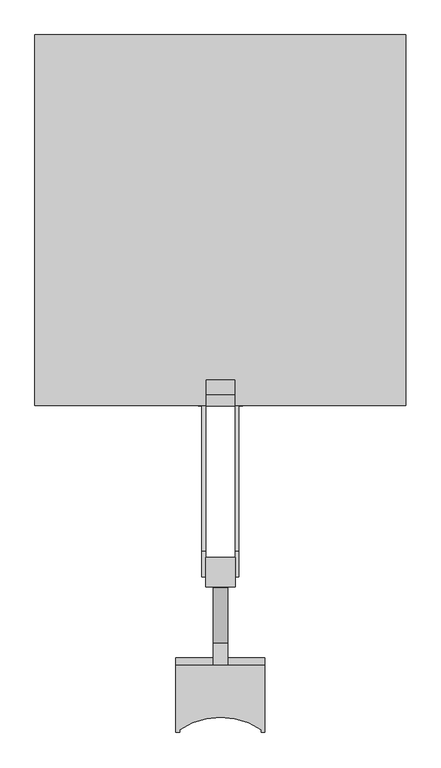
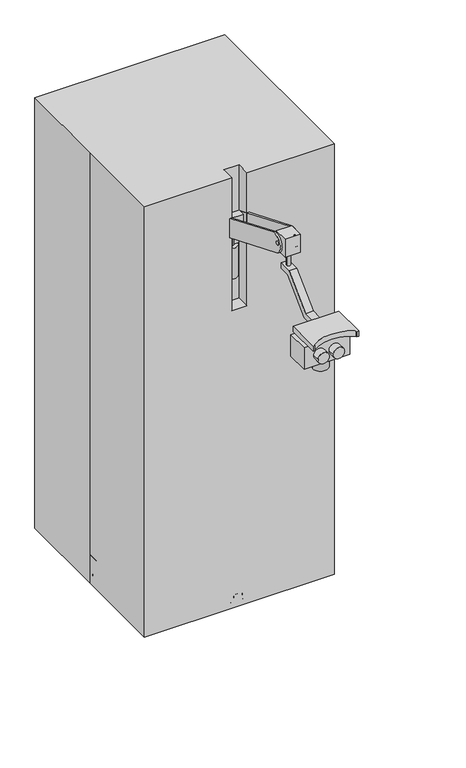
"""IFC4 building model written with IfcOpenShell, lengths in millimetres: proxy geometry."""

from ifc_helpers import new_model, si_unit, point, frame, frame_2d, origin, origin_2d, place, context, project, spatial, polyline, circle_curve, ellipse_curve, trimmed, segment, composite_curve, outline, extrude, faceted_brep, source, transform, mapped, element, save
from ifc_brep_helpers import plane_surface, cylinder_surface, revolved_surface, extruded_surface, advanced_brep


def specialty_equipment_8152f2bc(model_context):
    return source(origin(), model_context, "Body", "SolidModel", [
        advanced_brep(
        [(31.75, -590.6759875, 1426.2297914), (31.75, -309.077506, 1309.5878812), (31.75, -284.777108, 1368.2542315), (31.75, -566.3755895, 1484.8961417), (31.75, -284.6907592, 1326.9793218), (31.75, -279.8306796, 1338.7125919), (31.75, -595.6224159, 1455.771431), (31.75, -590.7623363, 1467.5047011), (-31.75, -590.6759875, 1426.2297914), (-31.75, -566.3755895, 1484.8961417), (-31.75, -284.777108, 1368.2542315), (-31.75, -309.077506, 1309.5878812), (-31.75, -284.6907592, 1326.9793218), (-31.75, -279.8306796, 1338.7125919), (-31.75, -595.6224159, 1455.771431), (-31.75, -590.7623363, 1467.5047011), (25.4, -590.6759875, 1426.2297914), (25.4, -309.077506, 1309.5878812), (-25.4, -309.077506, 1309.5878812), (-25.4, -590.6759875, 1426.2297914), (25.4, -272.6761469, 1318.4285276), (-25.4, -272.6761469, 1318.4285276), (-25.4, -284.777108, 1368.2542315), (-25.4, -272.6761469, 1359.4135851), (25.4, -272.6761469, 1359.4135851), (25.4, -284.777108, 1368.2542315), (25.4, -566.3755895, 1484.8961417), (-25.4, -566.3755895, 1484.8961417), (25.4, -602.5772402, 1476.2895237), (-25.4, -602.5772402, 1476.2895237), (-25.4, -602.5772402, 1434.8364095), (25.4, -602.5772402, 1434.8364095), (25.4, -284.6907592, 1326.9793218), (25.4, -279.8306796, 1338.7125919), (-25.4, -279.8306796, 1338.7125919), (-25.4, -284.6907592, 1326.9793218), (25.4, -595.6224159, 1455.771431), (25.4, -590.7623363, 1467.5047011), (-25.4, -590.7623363, 1467.5047011), (-25.4, -595.6224159, 1455.771431)],
        [
            (0, 1),
            (1, 2, circle_curve(frame((31.75, -296.927307, 1338.9210564), z_axis=(1.0, 0.0, 0.0), x_axis=(0.0, 0.3826834323650877, 0.9238795325112876)), 31.75)),
            (2, 3),
            (3, 0, circle_curve(frame((31.75, -578.5257885, 1455.5629666), z_axis=(1.0, 0.0, 0.0), x_axis=(0.0, 0.3826834323650936, 0.9238795325112853)), 31.75)),
            (4, 5, circle_curve(frame((31.75, -282.2607194, 1332.8459569), z_axis=(-1.0, 0.0, 0.0), x_axis=(0.0, 0.3826834323650877, 0.9238795325112876)), 6.35)),
            (5, 4, circle_curve(frame((31.75, -282.2607194, 1332.8459569), z_axis=(-1.0, 0.0, 0.0), x_axis=(0.0, 0.3826834323650877, 0.9238795325112876)), 6.35)),
            (6, 7, circle_curve(frame((31.75, -593.1923761, 1461.638066), z_axis=(-1.0, 0.0, 0.0), x_axis=(0.0, 0.3826834323650936, 0.9238795325112853)), 6.35)),
            (7, 6, circle_curve(frame((31.75, -593.1923761, 1461.638066), z_axis=(-1.0, 0.0, 0.0), x_axis=(0.0, 0.3826834323650936, 0.9238795325112853)), 6.35)),
            (8, 9, circle_curve(frame((-31.75, -578.5257885, 1455.5629666), z_axis=(-1.0, 0.0, 0.0), x_axis=(0.0, 0.3826834323650936, 0.9238795325112853)), 31.75)),
            (9, 10),
            (10, 11, circle_curve(frame((-31.75, -296.927307, 1338.9210564), z_axis=(-1.0, 0.0, 0.0), x_axis=(0.0, 0.3826834323650877, 0.9238795325112876)), 31.75)),
            (11, 8),
            (12, 13, circle_curve(frame((-31.75, -282.2607194, 1332.8459569), z_axis=(1.0, 0.0, 0.0), x_axis=(0.0, 0.3826834323650877, 0.9238795325112876)), 6.35)),
            (13, 12, circle_curve(frame((-31.75, -282.2607194, 1332.8459569), z_axis=(1.0, 0.0, 0.0), x_axis=(0.0, 0.3826834323650877, 0.9238795325112876)), 6.35)),
            (14, 15, circle_curve(frame((-31.75, -593.1923761, 1461.638066), z_axis=(1.0, 0.0, 0.0), x_axis=(0.0, 0.3826834323650936, 0.9238795325112853)), 6.35)),
            (15, 14, circle_curve(frame((-31.75, -593.1923761, 1461.638066), z_axis=(1.0, 0.0, 0.0), x_axis=(0.0, 0.3826834323650936, 0.9238795325112853)), 6.35)),
            (0, 16),
            (16, 17),
            (17, 1),
            (11, 18),
            (18, 19),
            (19, 8),
            (17, 20, circle_curve(frame((25.4, -296.927307, 1338.9210564), z_axis=(1.0, 0.0, 0.0), x_axis=(0.0, 0.3826834323650877, 0.9238795325112876)), 31.75)),
            (20, 21),
            (21, 18, circle_curve(frame((-25.4, -296.927307, 1338.9210564), z_axis=(-1.0, 0.0, 0.0), x_axis=(0.0, 0.3826834323650877, 0.9238795325112876)), 31.75)),
            (10, 22),
            (22, 23, circle_curve(frame((-25.4, -296.927307, 1338.9210564), z_axis=(-1.0, 0.0, 0.0), x_axis=(0.0, 0.3826834323650877, 0.9238795325112876)), 31.75)),
            (23, 24),
            (24, 25, circle_curve(frame((25.4, -296.927307, 1338.9210564), z_axis=(1.0, 0.0, 0.0), x_axis=(0.0, 0.3826834323650877, 0.9238795325112876)), 31.75)),
            (25, 2),
            (25, 26),
            (26, 3),
            (9, 27),
            (27, 22),
            (26, 28, circle_curve(frame((25.4, -578.5257885, 1455.5629666), z_axis=(1.0, 0.0, 0.0), x_axis=(0.0, 0.3826834323650936, 0.9238795325112853)), 31.75)),
            (28, 29),
            (29, 27, circle_curve(frame((-25.4, -578.5257885, 1455.5629666), z_axis=(-1.0, 0.0, 0.0), x_axis=(0.0, 0.3826834323650936, 0.9238795325112853)), 31.75)),
            (19, 30, circle_curve(frame((-25.4, -578.5257885, 1455.5629666), z_axis=(-1.0, 0.0, 0.0), x_axis=(0.0, 0.3826834323650936, 0.9238795325112853)), 31.75)),
            (30, 31),
            (31, 16, circle_curve(frame((25.4, -578.5257885, 1455.5629666), z_axis=(1.0, 0.0, 0.0), x_axis=(0.0, 0.3826834323650936, 0.9238795325112853)), 31.75)),
            (4, 32),
            (32, 33, circle_curve(frame((25.4, -282.2607194, 1332.8459569), z_axis=(-1.0, 0.0, 0.0), x_axis=(0.0, 0.3826834323650877, 0.9238795325112876)), 6.35)),
            (33, 5),
            (13, 34),
            (34, 35, circle_curve(frame((-25.4, -282.2607194, 1332.8459569), z_axis=(1.0, 0.0, 0.0), x_axis=(0.0, 0.3826834323650877, 0.9238795325112876)), 6.35)),
            (35, 12),
            (33, 32, circle_curve(frame((25.4, -282.2607194, 1332.8459569), z_axis=(-1.0, 0.0, 0.0), x_axis=(0.0, 0.3826834323650877, 0.9238795325112876)), 6.35)),
            (35, 34, circle_curve(frame((-25.4, -282.2607194, 1332.8459569), z_axis=(1.0, 0.0, 0.0), x_axis=(0.0, 0.3826834323650877, 0.9238795325112876)), 6.35)),
            (6, 36),
            (36, 37, circle_curve(frame((25.4, -593.1923761, 1461.638066), z_axis=(-1.0, 0.0, 0.0), x_axis=(0.0, 0.3826834323650936, 0.9238795325112853)), 6.35)),
            (37, 7),
            (15, 38),
            (38, 39, circle_curve(frame((-25.4, -593.1923761, 1461.638066), z_axis=(1.0, 0.0, 0.0), x_axis=(0.0, 0.3826834323650936, 0.9238795325112853)), 6.35)),
            (39, 14),
            (37, 36, circle_curve(frame((25.4, -593.1923761, 1461.638066), z_axis=(-1.0, 0.0, 0.0), x_axis=(0.0, 0.3826834323650936, 0.9238795325112853)), 6.35)),
            (39, 38, circle_curve(frame((-25.4, -593.1923761, 1461.638066), z_axis=(1.0, 0.0, 0.0), x_axis=(0.0, 0.3826834323650936, 0.9238795325112853)), 6.35)),
            (21, 23),
            (29, 30),
            (28, 31),
            (24, 20),
        ],
        [
            plane_surface(frame((31.75, -309.077506, 1309.5878812), z_axis=(1.0000000000000002, 0.0, 0.0), x_axis=(0.0, 0.9238795325112863, -0.382683432365091))),
            plane_surface(frame((-31.75, -309.077506, 1309.5878812), z_axis=(-1.0000000000000002, 0.0, 0.0), x_axis=(0.0, -0.9238795325112863, 0.382683432365091))),
            plane_surface(frame((31.75, -590.6759875, 1426.2297914), z_axis=(0.0, -0.382683432365091, -0.9238795325112863), x_axis=(-1.0, 0.0, 0.0))),
            cylinder_surface(frame((-31.75, -296.927307, 1338.9210564), z_axis=(1.0, 0.0, 0.0), x_axis=(0.0, 0.3826834323650877, 0.9238795325112876)), 31.75),
            plane_surface(frame((31.75, -284.777108, 1368.2542315), z_axis=(0.0, 0.38268343236509117, 0.9238795325112863), x_axis=(-1.0, 0.0, 0.0))),
            cylinder_surface(frame((-31.75, -578.5257885, 1455.5629666), z_axis=(1.0000000000000002, 0.0, 0.0), x_axis=(0.0, 0.3826834323650936, 0.9238795325112853)), 31.75),
            revolved_surface(polyline([(25.4, -279.8306796044817, 1338.7125919314467), (31.75, -279.8306796044817, 1338.7125919314467)]), (0.0, -282.2607194, 1332.8459569), (-1.0, 0.0, 0.0)),
            revolved_surface(polyline([(-31.75, -279.8306796044817, 1338.7125919314467), (-25.4, -279.8306796044817, 1338.7125919314467)]), (0.0, -282.2607194, 1332.8459569), (-1.0, 0.0, 0.0)),
            revolved_surface(polyline([(25.400000000000013, -590.7623363044817, 1467.5047010314465), (31.750000000000014, -590.7623363044817, 1467.5047010314465)]), (0.0, -593.1923761, 1461.638066), (-1.0000000000000002, 0.0, 0.0)),
            revolved_surface(polyline([(-31.750000000000014, -590.7623363044817, 1467.5047010314465), (-25.400000000000013, -590.7623363044817, 1467.5047010314465)]), (0.0, -593.1923761, 1461.638066), (-1.0000000000000002, 0.0, 0.0)),
            plane_surface(frame((-25.4, -272.6761469, 1742.3404738), z_axis=(1.0, 0.0, 0.0), x_axis=(0.0, 0.0, -1.0))),
            plane_surface(frame((-25.4, -602.5772402, 1742.3404738), z_axis=(0.0, 1.0, 0.0), x_axis=(0.0, 0.0, -1.0))),
            plane_surface(frame((25.4, -602.5772402, 1742.3404738), z_axis=(-1.0, 0.0, 0.0), x_axis=(0.0, 0.0, -1.0))),
            plane_surface(frame((25.4, -272.6761469, 1742.3404738), z_axis=(0.0, -1.0, 0.0), x_axis=(0.0, 0.0, -1.0))),
        ],
        [
            (0, [[1, 2, 3, 4], [5, 6], [7, 8]]),
            (1, [[9, 10, 11, 12], [13, 14], [15, 16]]),
            (2, [[-1, 17, 18, 19]]),
            (2, [[-12, 20, 21, 22]]),
            (3, [[-2, -19, 23, 24, 25, -20, -11, 26, 27, 28, 29, 30]]),
            (4, [[-3, -30, 31, 32]]),
            (4, [[-10, 33, 34, -26]]),
            (5, [[-4, -32, 35, 36, 37, -33, -9, -22, 38, 39, 40, -17]]),
            (6, [[-5, 41, 42, 43]]),
            (7, [[-14, 44, 45, 46]]),
            (6, [[-6, -43, 47, -41]]),
            (7, [[-13, -46, 48, -44]]),
            (8, [[-7, 49, 50, 51]]),
            (9, [[-16, 52, 53, 54]]),
            (8, [[-8, -51, 55, -49]]),
            (9, [[-15, -54, 56, -52]]),
            (10, [[57, -27, -34, -37, 58, -38, -21, -25], [-45, -48], [-53, -56]]),
            (11, [[-58, -36, 59, -39]]),
            (12, [[-59, -35, -31, -29, 60, -23, -18, -40], [-42, -47], [-50, -55]]),
            (13, [[-57, -24, -60, -28]]),
        ],
    ),
        extrude(outline(composite_curve([segment(trimmed(circle_curve(frame_2d((0.0, -276.3595017)), 9.525), [point((-9.525, -276.3595017))], [point((9.525, -276.3595017))], False, "CARTESIAN"), True, "CONTINUOUS"), segment(trimmed(circle_curve(frame_2d((0.0, -276.3595017)), 9.525), [point((9.525, -276.3595017))], [point((-9.525, -276.3595017))], False, "CARTESIAN"), True, "CONTINUOUS")], self_intersect=False)), frame((0.0, 0.0, 38.9774203), z_axis=(0.0, 0.0, 1.0), x_axis=(1.0, 0.0, 0.0)), (0.0, 0.0, 1.0), 49.9225797),
        faceted_brep([(-317.5, 317.5, 1524.0), (-317.5, 0.0, 1524.0), (-317.5, -317.5, 1524.0), (-25.4, -317.5, 1524.0), (-25.4, -272.6761469, 1524.0), (25.4, -272.6761469, 1524.0), (25.4, -317.5, 1524.0), (317.5, -317.5, 1524.0), (317.5, 317.5, 1524.0), (-317.5, 317.5, 0.0), (317.5, 317.5, 0.0), (317.5, -317.5, 0.0), (-317.5, -317.5, 0.0), (-317.5, 0.0, 0.0), (25.4, -317.5, 1053.5091843), (-25.4, -317.5, 1053.5091843), (25.4, -272.6761469, 1053.5091843), (-25.4, -272.6761469, 1053.5091843)], [[[0, 1, 2, 3, 4, 5, 6, 7, 8]], [[9, 10, 11, 12, 13]], [[1, 0, 9, 13]], [[2, 1, 13, 12]], [[12, 11, 7, 6, 14, 15, 3, 2]], [[8, 7, 11, 10]], [[0, 8, 10, 9]], [[16, 17, 15, 14]], [[15, 17, 4, 3]], [[16, 14, 6, 5]], [[17, 16, 5, 4]]]),
        extrude(outline(polyline([(-253.6261469, 1142.6261469), (-253.6261469, 1250.3892204), (38.1, 958.6630735), (38.1, 927.1), (-38.1, 927.1), (-253.6261469, 1142.6261469)])), frame((-25.4, 0.0, 0.0), z_axis=(1.0, 0.0, 0.0), x_axis=(0.0, 1.0, 0.0)), (0.0, 0.0, 1.0), 50.8),
        extrude(outline(composite_curve([segment(trimmed(circle_curve(frame_2d((0.0, -787.3125604)), 25.4), [point((-25.4, -787.3125604))], [point((25.4, -787.3125604))], False, "CARTESIAN"), True, "CONTINUOUS"), segment(trimmed(circle_curve(frame_2d((0.0, -787.3125604)), 25.4), [point((25.4, -787.3125604))], [point((-25.4, -787.3125604))], False, "CARTESIAN"), True, "CONTINUOUS")], self_intersect=False)), frame((0.0, 0.0, 1132.7881292), z_axis=(0.0, 0.0, 1.0), x_axis=(1.0, 0.0, 0.0)), (0.0, 0.0, 1.0), 38.1),
        extrude(outline(composite_curve([segment(trimmed(circle_curve(frame_2d((1208.9881292, -25.4)), 19.05), [point((1208.9881292, -44.45))], [point((1208.9881292, -6.35))], False, "CARTESIAN"), True, "CONTINUOUS"), segment(trimmed(circle_curve(frame_2d((1208.9881292, -25.4)), 19.05), [point((1208.9881292, -6.35))], [point((1208.9881292, -44.45))], False, "CARTESIAN"), True, "CONTINUOUS")], self_intersect=False)), frame((0.0, -850.8125604, 0.0), z_axis=(0.0, 1.0, 0.0), x_axis=(0.0, 0.0, 1.0)), (0.0, 0.0, 1.0), 25.4),
        extrude(outline(composite_curve([segment(trimmed(circle_curve(frame_2d((1208.9881292, 25.4)), 19.05), [point((1208.9881292, 6.35))], [point((1208.9881292, 44.45))], False, "CARTESIAN"), True, "CONTINUOUS"), segment(trimmed(circle_curve(frame_2d((1208.9881292, 25.4)), 19.05), [point((1208.9881292, 44.45))], [point((1208.9881292, 6.35))], False, "CARTESIAN"), True, "CONTINUOUS")], self_intersect=False)), frame((0.0, -850.8125604, 0.0), z_axis=(0.0, 1.0, 0.0), x_axis=(0.0, 0.0, 1.0)), (0.0, 0.0, 1.0), 25.4),
        extrude(outline(polyline([(76.2, -749.2125604), (76.2, -825.4125604), (-76.2, -825.4125604), (-76.2, -749.2125604), (76.2, -749.2125604)])), frame((0.0, 0.0, 1170.8881292), z_axis=(0.0, 0.0, 1.0), x_axis=(1.0, 0.0, 0.0)), (0.0, 0.0, 1.0), 76.2),
        extrude(outline(composite_curve([segment(trimmed(circle_curve(frame_2d((0.0, -787.3125604)), 3.175), [point((0.0, -784.1375604))], [point((0.0, -790.4875604))], False, "CARTESIAN"), True, "CONTINUOUS"), segment(trimmed(circle_curve(frame_2d((0.0, -787.3125604)), 3.175), [point((0.0, -790.4875604))], [point((0.0, -784.1375604))], False, "CARTESIAN"), True, "CONTINUOUS")], self_intersect=False)), frame((0.0, 0.0, 1247.0881292), z_axis=(0.0, 0.0, 1.0), x_axis=(1.0, 0.0, 0.0)), (0.0, 0.0, 1.0), 19.05),
        extrude(outline(composite_curve([segment(polyline([(-76.2, -761.9125604), (76.2, -761.9125604), (76.2, -877.0164384), (69.85, -877.0164384), (69.85, -872.5173882)]), True, "CONTINUOUS"), segment(trimmed(circle_curve(frame_2d((0.0, -974.8456023)), 123.8954636), [point((69.85, -872.5173882))], [point((-69.85, -872.5173882))], True, "CARTESIAN"), True, "CONTINUOUS"), segment(polyline([(-69.85, -872.5173882), (-69.85, -877.0164384), (-76.2, -877.0164384), (-76.2, -761.9125604)]), True, "CONTINUOUS")], self_intersect=False)), frame((0.0, 0.0, 1266.1381292), z_axis=(0.0, 0.0, 1.0), x_axis=(1.0, 0.0, 0.0)), (0.0, 0.0, 1.0), 19.05),
        extrude(outline(polyline([(-629.5180086, 1379.482681), (-583.5272402, 1379.482681), (-583.5272402, 1360.432681), (-621.6272402, 1360.432681), (-715.921792, 1266.1381292), (-761.9125604, 1266.1381292), (-761.9125604, 1285.1881292), (-723.8125604, 1285.1881292), (-629.5180086, 1379.482681)])), frame((-12.7, 0.0, 0.0), z_axis=(1.0, 0.0, 0.0), x_axis=(0.0, 1.0, 0.0)), (0.0, 0.0, 1.0), 25.4),
        extrude(outline(composite_curve([segment(trimmed(circle_curve(frame_2d((0.0, -602.5772402)), 6.35), [point((-6.35, -602.5772402))], [point((6.35, -602.5772402))], False, "CARTESIAN"), True, "CONTINUOUS"), segment(trimmed(circle_curve(frame_2d((0.0, -602.5772402)), 6.35), [point((6.35, -602.5772402))], [point((-6.35, -602.5772402))], False, "CARTESIAN"), True, "CONTINUOUS")], self_intersect=False)), frame((0.0, 0.0, 1379.482681), z_axis=(0.0, 0.0, 1.0), x_axis=(1.0, 0.0, 0.0)), (0.0, 0.0, 1.0), 50.8),
        extrude(outline(polyline([(25.4, -577.1772402), (25.4, -627.9772402), (-25.4, -627.9772402), (-25.4, -577.1772402), (25.4, -577.1772402)])), frame((0.0, 0.0, 1430.282681), z_axis=(0.0, 0.0, 1.0), x_axis=(1.0, 0.0, 0.0)), (0.0, 0.0, 1.0), 63.5),
        extrude(outline(polyline([(25.4, -247.2761469), (25.4, -298.0761469), (-25.4, -298.0761469), (-25.4, -247.2761469), (25.4, -247.2761469)])), frame((0.0, 0.0, 1301.1892204), z_axis=(0.0, 0.0, 1.0), x_axis=(1.0, 0.0, 0.0)), (0.0, 0.0, 1.0), 63.5),
        extrude(outline(composite_curve([segment(trimmed(circle_curve(frame_2d((0.0, -272.6761469)), 6.35), [point((0.0, -266.3261469))], [point((0.0, -279.0261469))], False, "CARTESIAN"), True, "CONTINUOUS"), segment(trimmed(circle_curve(frame_2d((0.0, -272.6761469)), 6.35), [point((0.0, -279.0261469))], [point((0.0, -266.3261469))], False, "CARTESIAN"), True, "CONTINUOUS")], self_intersect=False)), frame((0.0, 0.0, 1250.3892204), z_axis=(0.0, 0.0, 1.0), x_axis=(1.0, 0.0, 0.0)), (0.0, 0.0, 1.0), 50.8),
        advanced_brep(
        [(-25.4, -253.6261469, 1250.3892204), (25.4, -253.6261469, 1250.3892204), (-25.4, -253.6261469, 1142.6261469), (25.4, -253.6261469, 1142.6261469)],
        [
            (0, 1, ellipse_curve(frame((0.0, -253.6261469, 1250.3892204), z_axis=(0.0, 0.0, 1.0), x_axis=(0.0, 1.0, 0.0)), 38.1, 25.4)),
            (1, 0),
            (2, 3),
            (3, 2, ellipse_curve(frame((0.0, -253.6261469, 1142.6261469), z_axis=(0.0, 0.0, -1.0), x_axis=(1.0, 0.0, 0.0)), 25.4, 38.1)),
            (1, 3),
            (2, 0),
        ],
        [
            plane_surface(frame((25.4, -253.6261469, 1250.3892204), z_axis=(0.0, 0.0, 1.0), x_axis=(0.0, 1.0, 0.0))),
            plane_surface(frame((25.4, -253.6261469, 1142.6261469), z_axis=(0.0, 0.0, -1.0), x_axis=(0.0, -1.0, 0.0))),
            plane_surface(frame((25.4, -253.6261469, 1250.3892204), z_axis=(0.0, 1.0, 0.0), x_axis=(0.0, 0.0, -1.0))),
            extruded_surface(trimmed(ellipse_curve(frame((0.0, -253.6261469, 1034.8630735), z_axis=(0.0, 0.0, 1.0), x_axis=(1.0, 0.0, 0.0)), 25.4, 38.1), [point((-25.4, -253.6261469, 1034.8630735))], [point((25.4, -253.6261469, 1034.8630735))], True, "CARTESIAN"), (0.0, 0.0, 107.76307340000017), 107.76307340000017),
        ],
        [
            (0, [[1, 2]]),
            (1, [[3, 4]]),
            (2, [[-2, 5, -3, 6]]),
            (3, [[-1, -6, -4, -5]]),
        ],
    ),
        extrude(outline(polyline([(76.2, 76.2), (76.2, -76.2), (-76.2, -76.2), (-76.2, 76.2), (76.2, 76.2)])), frame((0.0, 0.0, 914.4), z_axis=(0.0, 0.0, 1.0), x_axis=(1.0, 0.0, 0.0)), (0.0, 0.0, 1.0), 12.7),
        extrude(outline(composite_curve([segment(trimmed(circle_curve(origin_2d(), 38.1), [point((-38.1, 0.0))], [point((38.1, 0.0))], False, "CARTESIAN"), True, "CONTINUOUS"), segment(trimmed(circle_curve(origin_2d(), 38.1), [point((38.1, 0.0))], [point((-38.1, 0.0))], False, "CARTESIAN"), True, "CONTINUOUS")], self_intersect=False)), frame((0.0, 0.0, 203.2), z_axis=(0.0, 0.0, 1.0), x_axis=(1.0, 0.0, 0.0)), (0.0, 0.0, 1.0), 711.2),
        extrude(outline(composite_curve([segment(trimmed(circle_curve(origin_2d(), 53.8815367), [point((-53.8815367, 0.0))], [point((53.8815367, 0.0))], False, "CARTESIAN"), True, "CONTINUOUS"), segment(trimmed(circle_curve(origin_2d(), 53.8815367), [point((53.8815367, 0.0))], [point((-53.8815367, 0.0))], False, "CARTESIAN"), True, "CONTINUOUS")], self_intersect=False)), frame((0.0, 0.0, 101.6), z_axis=(0.0, 0.0, 1.0), x_axis=(1.0, 0.0, 0.0)), (0.0, 0.0, 1.0), 101.6),
        extrude(outline(composite_curve([segment(trimmed(circle_curve(frame_2d((276.3595017, 0.0)), 9.525), [point((276.3595017, 9.525))], [point((276.3595017, -9.525))], False, "CARTESIAN"), True, "CONTINUOUS"), segment(trimmed(circle_curve(frame_2d((276.3595017, 0.0)), 9.525), [point((276.3595017, -9.525))], [point((276.3595017, 9.525))], False, "CARTESIAN"), True, "CONTINUOUS")], self_intersect=False)), frame((0.0, 0.0, 38.9774203), z_axis=(0.0, 0.0, 1.0), x_axis=(1.0, 0.0, 0.0)), (0.0, 0.0, 1.0), 49.9225797),
        extrude(outline(composite_curve([segment(trimmed(circle_curve(frame_2d((38.1, 279.4)), 38.1), [point((38.1, 317.5))], [point((38.1, 241.3))], False, "CARTESIAN"), True, "CONTINUOUS"), segment(trimmed(circle_curve(frame_2d((38.1, 279.4)), 38.1), [point((38.1, 241.3))], [point((38.1, 317.5))], False, "CARTESIAN"), True, "CONTINUOUS")], self_intersect=False)), frame((0.0, 9.525, 0.0), z_axis=(0.0, 1.0, 0.0), x_axis=(0.0, 0.0, 1.0)), (0.0, 0.0, 1.0), 9.525),
        extrude(outline(composite_curve([segment(trimmed(circle_curve(frame_2d((38.1, 279.4623599)), 19.05), [point((38.1, 298.5123599))], [point((38.1, 260.4123599))], False, "CARTESIAN"), True, "CONTINUOUS"), segment(trimmed(circle_curve(frame_2d((38.1, 279.4623599)), 19.05), [point((38.1, 260.4123599))], [point((38.1, 298.5123599))], False, "CARTESIAN"), True, "CONTINUOUS")], self_intersect=False)), frame((0.0, -9.525, 0.0), z_axis=(0.0, 1.0, 0.0), x_axis=(0.0, 0.0, 1.0)), (0.0, 0.0, 1.0), 19.05),
        extrude(outline(composite_curve([segment(trimmed(circle_curve(frame_2d((38.1, 279.4)), 38.1), [point((38.1, 317.5))], [point((38.1, 241.3))], False, "CARTESIAN"), True, "CONTINUOUS"), segment(trimmed(circle_curve(frame_2d((38.1, 279.4)), 38.1), [point((38.1, 241.3))], [point((38.1, 317.5))], False, "CARTESIAN"), True, "CONTINUOUS")], self_intersect=False)), frame((0.0, -19.05, 0.0), z_axis=(0.0, 1.0, 0.0), x_axis=(0.0, 0.0, 1.0)), (0.0, 0.0, 1.0), 9.525),
        extrude(outline(composite_curve([segment(trimmed(circle_curve(frame_2d((-276.3595017, 0.0)), 9.525), [point((-276.3595017, 9.525))], [point((-276.3595017, -9.525))], False, "CARTESIAN"), True, "CONTINUOUS"), segment(trimmed(circle_curve(frame_2d((-276.3595017, 0.0)), 9.525), [point((-276.3595017, -9.525))], [point((-276.3595017, 9.525))], False, "CARTESIAN"), True, "CONTINUOUS")], self_intersect=False)), frame((0.0, 0.0, 38.9774203), z_axis=(0.0, 0.0, 1.0), x_axis=(1.0, 0.0, 0.0)), (0.0, 0.0, 1.0), 49.9225797),
        extrude(outline(composite_curve([segment(trimmed(circle_curve(frame_2d((38.1, -279.4)), 38.1), [point((38.1, -317.5))], [point((38.1, -241.3))], False, "CARTESIAN"), True, "CONTINUOUS"), segment(trimmed(circle_curve(frame_2d((38.1, -279.4)), 38.1), [point((38.1, -241.3))], [point((38.1, -317.5))], False, "CARTESIAN"), True, "CONTINUOUS")], self_intersect=False)), frame((0.0, 9.525, 0.0), z_axis=(0.0, 1.0, 0.0), x_axis=(0.0, 0.0, 1.0)), (0.0, 0.0, 1.0), 9.525),
        extrude(outline(composite_curve([segment(trimmed(circle_curve(frame_2d((38.1, -279.4623599)), 19.05), [point((38.1, -298.5123599))], [point((38.1, -260.4123599))], False, "CARTESIAN"), True, "CONTINUOUS"), segment(trimmed(circle_curve(frame_2d((38.1, -279.4623599)), 19.05), [point((38.1, -260.4123599))], [point((38.1, -298.5123599))], False, "CARTESIAN"), True, "CONTINUOUS")], self_intersect=False)), frame((0.0, -9.525, 0.0), z_axis=(0.0, 1.0, 0.0), x_axis=(0.0, 0.0, 1.0)), (0.0, 0.0, 1.0), 19.05),
        extrude(outline(composite_curve([segment(trimmed(circle_curve(frame_2d((38.1, -279.4)), 38.1), [point((38.1, -317.5))], [point((38.1, -241.3))], False, "CARTESIAN"), True, "CONTINUOUS"), segment(trimmed(circle_curve(frame_2d((38.1, -279.4)), 38.1), [point((38.1, -241.3))], [point((38.1, -317.5))], False, "CARTESIAN"), True, "CONTINUOUS")], self_intersect=False)), frame((0.0, -19.05, 0.0), z_axis=(0.0, 1.0, 0.0), x_axis=(0.0, 0.0, 1.0)), (0.0, 0.0, 1.0), 9.525),
        extrude(outline(composite_curve([segment(trimmed(circle_curve(frame_2d((0.0, 276.3595017)), 9.525), [point((-9.525, 276.3595017))], [point((9.525, 276.3595017))], False, "CARTESIAN"), True, "CONTINUOUS"), segment(trimmed(circle_curve(frame_2d((0.0, 276.3595017)), 9.525), [point((9.525, 276.3595017))], [point((-9.525, 276.3595017))], False, "CARTESIAN"), True, "CONTINUOUS")], self_intersect=False)), frame((0.0, 0.0, 38.9774203), z_axis=(0.0, 0.0, 1.0), x_axis=(1.0, 0.0, 0.0)), (0.0, 0.0, 1.0), 49.9225797),
        extrude(outline(composite_curve([segment(trimmed(circle_curve(frame_2d((279.4, 38.1)), 38.1), [point((317.5, 38.1))], [point((241.3, 38.1))], False, "CARTESIAN"), True, "CONTINUOUS"), segment(trimmed(circle_curve(frame_2d((279.4, 38.1)), 38.1), [point((241.3, 38.1))], [point((317.5, 38.1))], False, "CARTESIAN"), True, "CONTINUOUS")], self_intersect=False)), frame((-19.05, 0.0, 0.0), z_axis=(1.0, 0.0, 0.0), x_axis=(0.0, 1.0, 0.0)), (0.0, 0.0, 1.0), 9.525),
        extrude(outline(composite_curve([segment(trimmed(circle_curve(frame_2d((279.4623599, 38.1)), 19.05), [point((298.5123599, 38.1))], [point((260.4123599, 38.1))], False, "CARTESIAN"), True, "CONTINUOUS"), segment(trimmed(circle_curve(frame_2d((279.4623599, 38.1)), 19.05), [point((260.4123599, 38.1))], [point((298.5123599, 38.1))], False, "CARTESIAN"), True, "CONTINUOUS")], self_intersect=False)), frame((-9.525, 0.0, 0.0), z_axis=(1.0, 0.0, 0.0), x_axis=(0.0, 1.0, 0.0)), (0.0, 0.0, 1.0), 19.05),
        extrude(outline(composite_curve([segment(trimmed(circle_curve(frame_2d((279.4, 38.1)), 38.1), [point((317.5, 38.1))], [point((241.3, 38.1))], False, "CARTESIAN"), True, "CONTINUOUS"), segment(trimmed(circle_curve(frame_2d((279.4, 38.1)), 38.1), [point((241.3, 38.1))], [point((317.5, 38.1))], False, "CARTESIAN"), True, "CONTINUOUS")], self_intersect=False)), frame((9.525, 0.0, 0.0), z_axis=(1.0, 0.0, 0.0), x_axis=(0.0, 1.0, 0.0)), (0.0, 0.0, 1.0), 9.525),
        extrude(outline(composite_curve([segment(trimmed(circle_curve(frame_2d((-279.4, 38.1)), 38.1), [point((-317.5, 38.1))], [point((-241.3, 38.1))], False, "CARTESIAN"), True, "CONTINUOUS"), segment(trimmed(circle_curve(frame_2d((-279.4, 38.1)), 38.1), [point((-241.3, 38.1))], [point((-317.5, 38.1))], False, "CARTESIAN"), True, "CONTINUOUS")], self_intersect=False)), frame((-19.05, 0.0, 0.0), z_axis=(1.0, 0.0, 0.0), x_axis=(0.0, 1.0, 0.0)), (0.0, 0.0, 1.0), 9.525),
        extrude(outline(composite_curve([segment(trimmed(circle_curve(frame_2d((-279.4623599, 38.1)), 19.05), [point((-298.5123599, 38.1))], [point((-260.4123599, 38.1))], False, "CARTESIAN"), True, "CONTINUOUS"), segment(trimmed(circle_curve(frame_2d((-279.4623599, 38.1)), 19.05), [point((-260.4123599, 38.1))], [point((-298.5123599, 38.1))], False, "CARTESIAN"), True, "CONTINUOUS")], self_intersect=False)), frame((-9.525, 0.0, 0.0), z_axis=(1.0, 0.0, 0.0), x_axis=(0.0, 1.0, 0.0)), (0.0, 0.0, 1.0), 19.05),
        extrude(outline(composite_curve([segment(trimmed(circle_curve(frame_2d((-279.4, 38.1)), 38.1), [point((-317.5, 38.1))], [point((-241.3, 38.1))], False, "CARTESIAN"), True, "CONTINUOUS"), segment(trimmed(circle_curve(frame_2d((-279.4, 38.1)), 38.1), [point((-241.3, 38.1))], [point((-317.5, 38.1))], False, "CARTESIAN"), True, "CONTINUOUS")], self_intersect=False)), frame((9.525, 0.0, 0.0), z_axis=(1.0, 0.0, 0.0), x_axis=(0.0, 1.0, 0.0)), (0.0, 0.0, 1.0), 9.525),
        extrude(outline(polyline([(-317.5, 38.1), (-38.1, 38.1), (-38.1, 317.5), (38.1, 317.5), (38.1, 38.1), (317.5, 38.1), (317.5, -38.1), (38.1, -38.1), (38.1, -317.5), (-38.1, -317.5), (-38.1, -38.1), (-317.5, -38.1), (-317.5, 38.1)])), frame((0.0, 0.0, 76.2), z_axis=(0.0, 0.0, 1.0), x_axis=(1.0, 0.0, 0.0)), (0.0, 0.0, 1.0), 25.4),
    ])


if __name__ == "__main__":
    model = new_model("IFC4")
    model_context = context("Model", 3, world=origin())
    ifc_project = project(units=[si_unit("LENGTHUNIT", "METRE", prefix="MILLI")], contexts=[model_context])
    site = spatial("IfcSite", under=ifc_project)
    building = spatial("IfcBuilding", under=site)
    placement = place(None, origin())
    specialty_equipment_shape = specialty_equipment_8152f2bc(model_context)
    element("IfcBuildingElementProxy", 1, Name="Specialty Equipment", at=placement, inside=building, context=model_context, shape_type="MappedRepresentation", body=[
        mapped(specialty_equipment_shape, transform((0.0, 0.0, 0.0), x_axis=(1.0, 0.0, 0.0), y_axis=(0.0, 1.0, 0.0), z_axis=(0.0, 0.0, 1.0))),
    ])
    save(model, "model.ifc")
